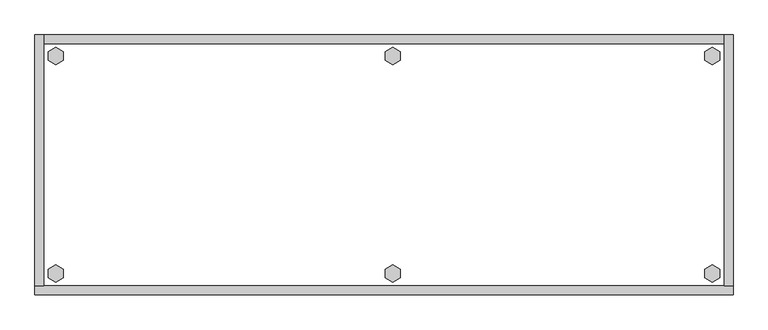
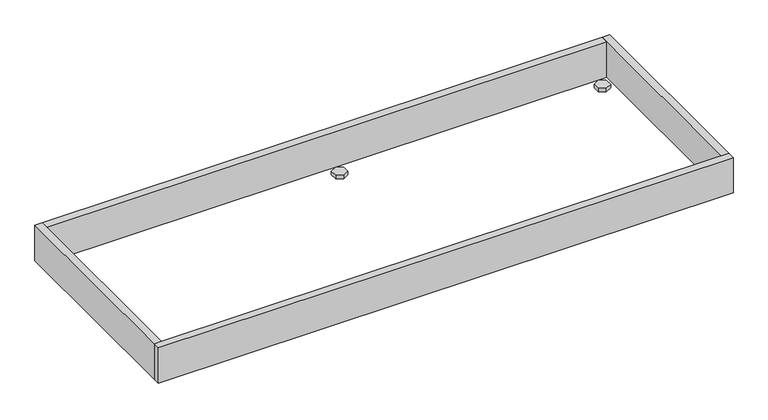
"""IFC4 building model written with IfcOpenShell, lengths in millimetres: furniture geometry."""

from ifc_helpers import new_model, si_unit, frame, origin, origin_with_axes, place, context, project, spatial, polyline, outline, extrude, source, transform, mapped, element, save


def furniture_fb289d9d(model_context):
    return source(origin(), model_context, "Body", "SweptSolid", [
        extrude(outline(polyline([(1425.2735422, -498.8179), (1441.2214, -489.6104), (1457.1692578, -498.8179), (1457.1692578, -517.2329), (1441.2214, -526.4404), (1425.2735422, -517.2329), (1425.2735422, -498.8179)])), origin_with_axes(), (0.0, 0.0, 1.0), 9.144),
        extrude(outline(polyline([(1425.2735422, -35.4711), (1441.2214, -26.2636), (1457.1692578, -35.4711), (1457.1692578, -53.8861), (1441.2214, -63.0936), (1425.2735422, -53.8861), (1425.2735422, -35.4711)])), origin_with_axes(), (0.0, 0.0, 1.0), 9.144),
        extrude(outline(polyline([(746.0521422, -498.8179), (762.0, -489.6104), (777.9478578, -498.8179), (777.9478578, -517.2329), (762.0, -526.4404), (746.0521422, -517.2329), (746.0521422, -498.8179)])), origin_with_axes(), (0.0, 0.0, 1.0), 9.144),
        extrude(outline(polyline([(746.0521422, -35.4711), (762.0, -26.2636), (777.9478578, -35.4711), (777.9478578, -53.8861), (762.0, -63.0936), (746.0521422, -53.8861), (746.0521422, -35.4711)])), origin_with_axes(), (0.0, 0.0, 1.0), 9.144),
        extrude(outline(polyline([(28.7307422, -498.8179), (44.6786, -489.6104), (60.6264578, -498.8179), (60.6264578, -517.2329), (44.6786, -526.4404), (28.7307422, -517.2329), (28.7307422, -498.8179)])), origin_with_axes(), (0.0, 0.0, 1.0), 9.144),
        extrude(outline(polyline([(28.7307422, -35.4711), (44.6786, -26.2636), (60.6264578, -35.4711), (60.6264578, -53.8861), (44.6786, -63.0936), (28.7307422, -53.8861), (28.7307422, -35.4711)])), origin_with_axes(), (0.0, 0.0, 1.0), 9.144),
        extrude(outline(polyline([(19.304, 0.0), (19.304, -533.4), (0.0, -533.4), (0.0, 0.0), (19.304, 0.0)])), frame((0.0, 0.0, 4.699), z_axis=(0.0, 0.0, 1.0), x_axis=(1.0, 0.0, 0.0)), (0.0, 0.0, 1.0), 96.901),
        extrude(outline(polyline([(1485.9, 0.0), (1485.9, -533.4), (1466.596, -533.4), (1466.596, 0.0), (1485.9, 0.0)])), frame((0.0, 0.0, 4.699), z_axis=(0.0, 0.0, 1.0), x_axis=(1.0, 0.0, 0.0)), (0.0, 0.0, 1.0), 96.901),
        extrude(outline(polyline([(1466.596, -19.304), (19.304, -19.304), (19.304, 0.0), (1466.596, 0.0), (1466.596, -19.304)])), frame((0.0, 0.0, 4.699), z_axis=(0.0, 0.0, 1.0), x_axis=(1.0, 0.0, 0.0)), (0.0, 0.0, 1.0), 96.901),
        extrude(outline(polyline([(1485.9, -533.4), (1485.9, -552.704), (0.0, -552.704), (0.0, -533.4), (1485.9, -533.4)])), frame((0.0, 0.0, 4.699), z_axis=(0.0, 0.0, 1.0), x_axis=(1.0, 0.0, 0.0)), (0.0, 0.0, 1.0), 96.901),
    ])


if __name__ == "__main__":
    model = new_model("IFC4")
    model_context = context("Model", 3, world=origin())
    ifc_project = project(units=[si_unit("LENGTHUNIT", "METRE", prefix="MILLI")], contexts=[model_context])
    site = spatial("IfcSite", under=ifc_project)
    building = spatial("IfcBuilding", under=site)
    placement = place(None, origin())
    furniture_shape = furniture_fb289d9d(model_context)
    element("IfcFurniture", 1, at=placement, inside=building, context=model_context, shape_type="MappedRepresentation", body=[
        mapped(furniture_shape, transform((0.0, 0.0, 0.0), x_axis=(1.0, 0.0, 0.0), y_axis=(0.0, 1.0, 0.0), z_axis=(0.0, 0.0, 1.0))),
    ])
    save(model, "model.ifc")
